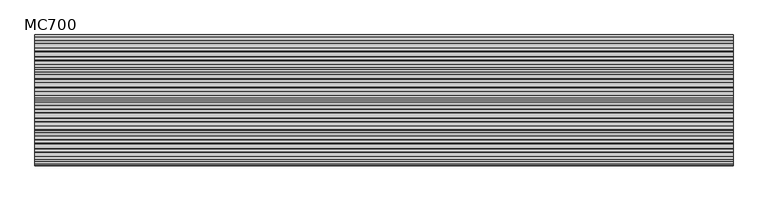
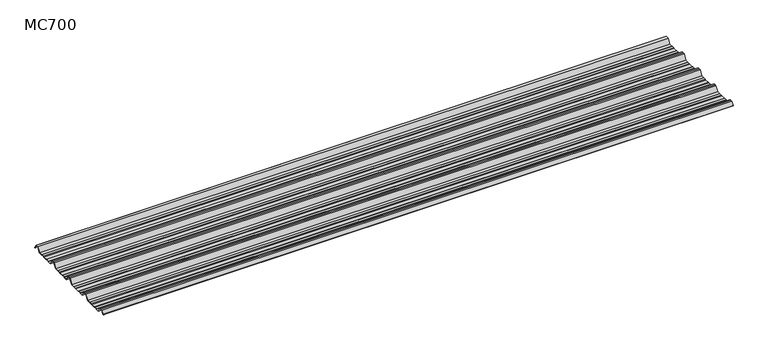
"""IFC4 building model written with IfcOpenShell, lengths in millimetres: beam geometry, MC700."""

from ifc_helpers import new_model, si_unit, point, frame, frame_2d, origin, place, context, project, spatial, polyline, circle_curve, trimmed, segment, composite_curve, outline, extrude, source, transform, mapped, element, save


def mc700_2b3dcdef(model_context):
    return source(origin(), model_context, "Body", "SweptSolid", [
        extrude(outline(composite_curve([segment(polyline([(-279.7790109, -25.7896475), (-284.1593286, -23.7494212), (-300.5873198, -23.7494212), (-303.802364, -25.7896475), (-326.5000016, -25.7896475), (-344.5745116, 5.2103525), (-355.0, 5.2103525), (-365.4254884, 5.2103525), (-383.4999984, -25.7896475), (-406.197636, -25.7896475), (-409.4126802, -23.7494212), (-425.8406714, -23.7494212), (-430.2209891, -25.7896475), (-457.2790109, -25.7896475), (-461.6593286, -23.7494212), (-478.0873198, -23.7494212), (-481.302364, -25.7896475), (-504.0000016, -25.7896475), (-522.0745116, 5.2103525), (-532.5, 5.2103525), (-542.9254884, 5.2103525), (-560.9999984, -25.7896475), (-583.697636, -25.7896475), (-586.9126802, -23.7494212), (-603.3406714, -23.7494212), (-607.7209891, -25.7896475), (-634.7790109, -25.7896475), (-639.1593286, -23.7494212), (-655.5873198, -23.7494212), (-658.802364, -25.7896475), (-681.5000016, -25.7896475), (-699.5745116, 5.2103525), (-710.0, 5.2103525), (-720.4254884, 5.2103525), (-732.728303, -15.8904825)]), True, "CONTINUOUS"), segment(trimmed(circle_curve(frame_2d((-733.160246, -15.6386387)), 0.5), [point((-732.728303, -15.8904825))], [point((-733.5921889, -15.3867949))], False, "CARTESIAN"), True, "CONTINUOUS"), segment(polyline([(-733.5921889, -15.3867949), (-721.0, 6.2103525), (-710.0, 6.2103525), (-699.0, 6.2103525), (-680.92549, -24.7896475), (-659.0928785, -24.7896475), (-655.8778343, -22.7494212), (-638.9378651, -22.7494212), (-634.5575473, -24.7896475), (-607.9424527, -24.7896475), (-603.5621349, -22.7494212), (-586.6221657, -22.7494212), (-583.4071215, -24.7896475), (-561.57451, -24.7896475), (-543.5, 6.2103525), (-532.5, 6.2103525), (-521.5, 6.2103525), (-503.42549, -24.7896475), (-481.5928785, -24.7896475), (-478.3778343, -22.7494212), (-461.4378651, -22.7494212), (-457.0575473, -24.7896475), (-430.4424527, -24.7896475), (-426.0621349, -22.7494212), (-409.1221657, -22.7494212), (-405.9071215, -24.7896475), (-384.07451, -24.7896475), (-366.0, 6.2103525), (-355.0, 6.2103525), (-344.0, 6.2103525), (-325.92549, -24.7896475), (-304.0928785, -24.7896475), (-300.8778343, -22.7494212), (-283.9378651, -22.7494212), (-279.5575473, -24.7896475), (-252.9424527, -24.7896475), (-248.5621349, -22.7494212), (-231.6221657, -22.7494212), (-228.4071215, -24.7896475), (-206.57451, -24.7896475), (-188.5, 6.2103525), (-177.5, 6.2103525), (-166.5, 6.2103525), (-148.42549, -24.7896475), (-126.5928785, -24.7896475), (-123.3778343, -22.7494212), (-106.4378651, -22.7494212), (-102.0575473, -24.7896475), (-75.4424527, -24.7896475), (-71.0621349, -22.7494212), (-54.1221657, -22.7494212), (-50.9071215, -24.7896475), (-26.7593894, -24.7896475), (-9.8509769, 4.2103525), (9.8509769, 4.2103525), (24.2964926, -20.5654776)]), True, "CONTINUOUS"), segment(trimmed(circle_curve(frame_2d((23.8645497, -20.8173214)), 0.5), [point((24.2964926, -20.5654776))], [point((23.4326067, -21.0691651))], False, "CARTESIAN"), True, "CONTINUOUS"), segment(polyline([(23.4326067, -21.0691651), (9.2764653, 3.2103525), (-9.2764653, 3.2103525), (-26.1848779, -25.7896475), (-51.197636, -25.7896475), (-54.4126802, -23.7494212), (-70.8406714, -23.7494212), (-75.2209891, -25.7896475), (-102.2790109, -25.7896475), (-106.6593286, -23.7494212), (-123.0873198, -23.7494212), (-126.302364, -25.7896475), (-149.0000016, -25.7896475), (-167.0745116, 5.2103525), (-177.5, 5.2103525), (-187.9254884, 5.2103525), (-205.9999984, -25.7896475), (-228.697636, -25.7896475), (-231.9126802, -23.7494212), (-248.3406714, -23.7494212), (-252.7209891, -25.7896475), (-279.7790109, -25.7896475)]), True, "CONTINUOUS")], self_intersect=False)), frame((-2023.1063732, 0.0, 0.0), z_axis=(1.0, 0.0, 0.0), x_axis=(0.0, 1.0, 0.0)), (0.0, 0.0, 1.0), 4046.2127463),
    ])


if __name__ == "__main__":
    model = new_model("IFC4")
    model_context = context("Model", 3, world=origin())
    ifc_project = project(units=[si_unit("LENGTHUNIT", "METRE", prefix="MILLI")], contexts=[model_context])
    site = spatial("IfcSite", under=ifc_project)
    building = spatial("IfcBuilding", under=site)
    placement = place(None, origin())
    mc700_shape = mc700_2b3dcdef(model_context)
    element("IfcBeam", 1, ObjectType="MC700", at=placement, inside=building, context=model_context, shape_type="MappedRepresentation", body=[
        mapped(mc700_shape, transform((0.0, 0.0, 0.0), x_axis=(1.0, 0.0, 0.0), y_axis=(0.0, 1.0, 0.0), z_axis=(0.0, 0.0, 1.0))),
    ])
    save(model, "model.ifc")
